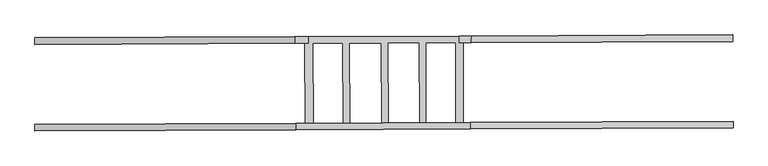
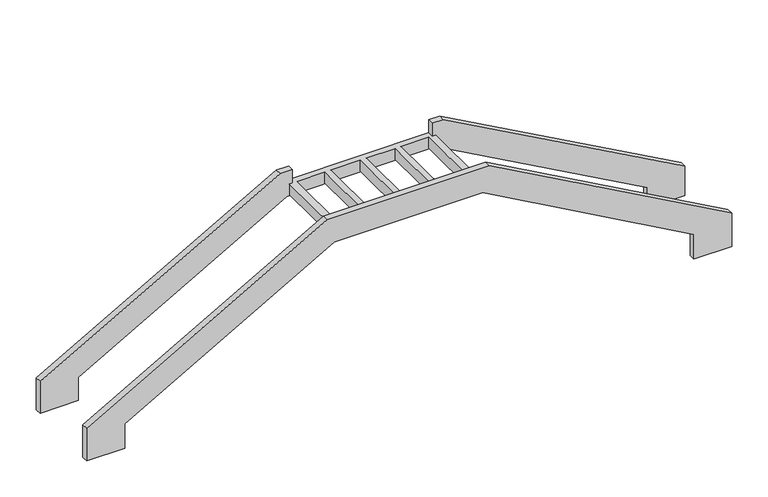
"""IFC4 building model written with IfcOpenShell, lengths in millimetres: stair geometry."""

from ifc_helpers import new_model, si_unit, origin, place, context, project, spatial, faceted_brep, source, transform, mapped, element, save


def stair_6f7fdf4b(model_context):
    return source(origin(), model_context, "Body", "Brep", [
        faceted_brep([(50507.6914868, 100362.0540138, -2106.412017), (53917.1549975, 100376.5423549, -191.1765302), (56325.4420575, 100386.7762478, -191.1765302), (59761.9399539, 100401.3794701, -2120.4342474), (59761.9399539, 100401.3794701, -2543.2639797), (60371.5996995, 100403.9701881, -2543.2639797), (60371.5996995, 100403.9701881, -1971.7615172), (56434.0922799, 100387.2379513, 238.7640832), (53803.2686489, 100376.0584006, 238.7640832), (49888.0763927, 100359.4209911, -1960.5599816), (49888.0763927, 100359.4209911, -2524.9395685), (50507.6914868, 100362.0540138, -2524.9395685), (50507.2657125, 100462.2492054, -2106.412017), (50507.2657125, 100462.2492054, -2524.9395685), (49887.6506183, 100459.6161827, -2524.9395685), (49887.6506183, 100459.6161827, -1960.5599816), (53802.8428746, 100476.2535923, 238.7640832), (56433.6665055, 100487.433143, 238.7640832), (60371.1739251, 100504.1653797, -1971.7615172), (60371.1739251, 100504.1653797, -2543.2639797), (59761.5141796, 100501.5746618, -2543.2639797), (59761.5141796, 100501.5746618, -2120.4342474), (56325.0162831, 100486.9714394, -191.1765302), (53916.7292231, 100476.7375465, -191.1765302), (53945.3312919, 100476.8590896, -173.9867204), (54063.857091, 100477.3627589, -173.9867204), (54063.857091, 100477.3627589, 10.875), (53945.3312919, 100476.8590896, 10.875), (54518.5265872, 100479.2948537, -173.9867204), (54613.4986729, 100479.6984327, -173.9867204), (54613.4986729, 100479.6984327, 10.875), (54518.5265872, 100479.2948537, 10.875), (55095.2996621, 100481.7458214, -173.9867204), (55190.2717478, 100482.1494005, -173.9867204), (55190.2717478, 100482.1494005, 10.875), (55095.2996621, 100481.7458214, 10.875), (55663.3506056, 100484.1597249, -173.9867204), (55758.3226913, 100484.5633039, -173.9867204), (55758.3226913, 100484.5633039, 10.875), (55663.3506056, 100484.1597249, 10.875), (56209.0132092, 100486.4784903, -173.9867204), (56321.0527632, 100486.9545967, -173.9867204), (56321.0527632, 100486.9545967, 10.875), (56209.0132092, 100486.4784903, 10.875), (50507.1553768, 101664.8901702, -2096.7204898), (53899.3662266, 101679.305197, -191.1765302), (56318.4859036, 101689.5851225, -191.1765302), (59756.4038891, 101704.1943795, -2102.5917989), (59756.4038891, 101704.1943795, -2453.5005751), (60366.0636346, 101706.7850975, -2453.5005751), (60366.0636346, 101706.7850975, -1949.633075), (56438.9524085, 101690.0970388, 233.7640832), (56260.971595, 101689.3407184, 233.7640832), (56260.971595, 101689.3407184, 10.875), (56315.9422921, 101689.5743136, 10.875), (56315.9422921, 101689.5743136, -173.9867204), (56203.9027382, 101689.0982072, -173.9867204), (56203.9027382, 101689.0982072, 10.875), (55753.2122203, 101687.1830209, 10.875), (55753.2122203, 101687.1830209, -173.9867204), (55658.2401346, 101686.7794419, -173.9867204), (55658.2401346, 101686.7794419, 10.875), (55185.1612767, 101684.7691174, 10.875), (55185.1612767, 101684.7691174, -173.9867204), (55090.189191, 101684.3655384, -173.9867204), (55090.189191, 101684.3655384, 10.875), (54608.3882018, 101682.3181497, 10.875), (54608.3882018, 101682.3181497, -173.9867204), (54513.4161161, 101681.9145706, -173.9867204), (54513.4161161, 101681.9145706, 10.875), (54058.7466199, 101679.9824758, 10.875), (54058.7466199, 101679.9824758, -173.9867204), (53940.2208208, 101679.4788065, -173.9867204), (53940.2208208, 101679.4788065, 10.875), (53989.7502167, 101679.6892791, 10.875), (53989.7502167, 101679.6892791, 238.7640832), (53787.7204848, 101678.8307641, 238.7640832), (49887.5402827, 101662.2571475, -1952.1270951), (49887.5402827, 101662.2571475, -2494.9395685), (50507.1553768, 101664.8901702, -2494.9395685), (50506.7296025, 101765.0853618, -2096.7204898), (50506.7296025, 101765.0853618, -2494.9395685), (49887.1145083, 101762.4523391, -2494.9395685), (49887.1145083, 101762.4523391, -1952.1270951), (53787.2947105, 101779.0259558, 238.7640832), (53989.3244423, 101779.8844708, 238.7640832), (53989.3244423, 101779.8844708, 10.875), (56260.5458206, 101789.5359101, 10.875), (56260.5458206, 101789.5359101, 233.7640832), (56438.5266342, 101790.2922305, 233.7640832), (60365.6378603, 101806.9802891, -1949.633075), (60365.6378603, 101806.9802891, -2453.5005751), (59755.9781147, 101804.3895712, -2453.5005751), (59755.9781147, 101804.3895712, -2102.5917989), (56318.0601293, 101789.7803142, -191.1765302), (53898.9404522, 101779.5003886, -191.1765302)], [[[0, 1, 2, 3, 4, 5, 6, 7, 8, 9, 10, 11]], [[12, 13, 14, 15, 16, 17, 18, 19, 20, 21, 22, 23], [24, 25, 26, 27], [28, 29, 30, 31], [32, 33, 34, 35], [36, 37, 38, 39], [40, 41, 42, 43]], [[1, 0, 12, 23]], [[2, 1, 23, 22]], [[3, 2, 22, 21]], [[4, 3, 21, 20]], [[5, 4, 20, 19]], [[6, 5, 19, 18]], [[7, 6, 18, 17]], [[8, 7, 17, 16]], [[9, 8, 16, 15]], [[10, 9, 15, 14]], [[11, 10, 14, 13]], [[0, 11, 13, 12]], [[44, 45, 46, 47, 48, 49, 50, 51, 52, 53, 54, 55, 56, 57, 58, 59, 60, 61, 62, 63, 64, 65, 66, 67, 68, 69, 70, 71, 72, 73, 74, 75, 76, 77, 78, 79]], [[80, 81, 82, 83, 84, 85, 86, 87, 88, 89, 90, 91, 92, 93, 94, 95]], [[45, 44, 80, 95]], [[46, 45, 95, 94]], [[47, 46, 94, 93]], [[48, 47, 93, 92]], [[49, 48, 92, 91]], [[50, 49, 91, 90]], [[51, 50, 90, 89]], [[52, 51, 89, 88]], [[77, 76, 84, 83]], [[78, 77, 83, 82]], [[79, 78, 82, 81]], [[44, 79, 81, 80]], [[87, 53, 52, 88]], [[75, 74, 86, 85]], [[76, 75, 85, 84]], [[25, 24, 72, 71]], [[26, 25, 71, 70]], [[27, 26, 70, 69, 31, 30, 66, 65, 35, 34, 62, 61, 39, 38, 58, 57, 43, 42, 54, 53, 87, 86, 74, 73]], [[24, 27, 73, 72]], [[29, 28, 68, 67]], [[30, 29, 67, 66]], [[28, 31, 69, 68]], [[33, 32, 64, 63]], [[34, 33, 63, 62]], [[32, 35, 65, 64]], [[37, 36, 60, 59]], [[38, 37, 59, 58]], [[36, 39, 61, 60]], [[41, 40, 56, 55]], [[42, 41, 55, 54]], [[40, 43, 57, 56]]]),
    ])


if __name__ == "__main__":
    model = new_model("IFC4")
    model_context = context("Model", 3, world=origin())
    ifc_project = project(units=[si_unit("LENGTHUNIT", "METRE", prefix="MILLI")], contexts=[model_context])
    site = spatial("IfcSite", under=ifc_project)
    building = spatial("IfcBuilding", under=site)
    placement = place(None, origin())
    stair_shape = stair_6f7fdf4b(model_context)
    element("IfcStair", 1, at=placement, inside=building, context=model_context, shape_type="MappedRepresentation", body=[
        mapped(stair_shape, transform((0.0, 0.0, 0.0), x_axis=(1.0, 0.0, 0.0), y_axis=(0.0, 1.0, 0.0), z_axis=(0.0, 0.0, 1.0))),
    ])
    save(model, "model.ifc")
